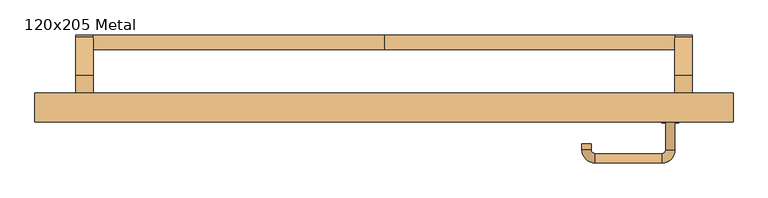
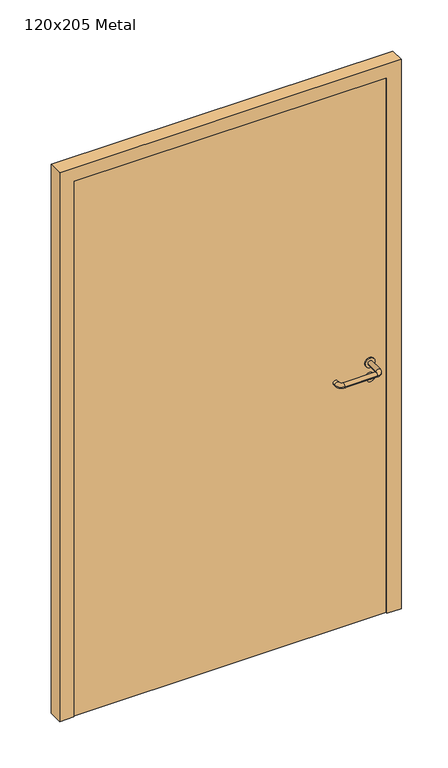
"""IFC4 building model written with IfcOpenShell, lengths in millimetres: door geometry, 120x205 Metal."""

from ifc_helpers import new_model, si_unit, point, frame, frame_2d, origin, origin_with_axes, place, context, project, spatial, polyline, circle_curve, ellipse_curve, trimmed, segment, composite_curve, outline, extrude, source, transform, mapped, element, save
from ifc_brep_helpers import plane_surface, cylinder_surface, revolved_surface, advanced_brep


def door_120x205_metal_0eefaa04(model_context):
    return source(origin(), model_context, "Body", "SolidModel", [
        advanced_brep(
        [(-500.0, 25.4171435, 861.5304884), (-500.0, 50.4171435, 861.5304884), (0.0, 50.4171435, 861.5304884), (0.0, 25.4171435, 861.5304884), (500.0, 25.4171435, 861.5304884), (500.0, 50.4171435, 861.5304884)],
        [
            (0, 1, circle_curve(frame((-500.0, 37.9171435, 861.5304884), z_axis=(-1.0, 0.0, 0.0), x_axis=(0.0, 1.0, 0.0)), 12.5)),
            (1, 0, circle_curve(frame((-500.0, 37.9171435, 861.5304884), z_axis=(-1.0, 0.0, 0.0), x_axis=(0.0, 1.0, 0.0)), 12.5)),
            (1, 2),
            (2, 3, circle_curve(frame((0.0, 37.9171435, 861.5304884), z_axis=(-1.0, 0.0, 0.0), x_axis=(0.0, 1.0, 0.0)), 12.5)),
            (3, 0),
            (3, 2, circle_curve(frame((0.0, 37.9171435, 861.5304884), z_axis=(-1.0, 0.0, 0.0), x_axis=(0.0, 1.0, 0.0)), 12.5)),
            (4, 5, circle_curve(frame((500.0, 37.9171435, 861.5304884), z_axis=(1.0, 0.0, 0.0), x_axis=(0.0, 1.0, 0.0)), 12.5)),
            (5, 4, circle_curve(frame((500.0, 37.9171435, 861.5304884), z_axis=(1.0, 0.0, 0.0), x_axis=(0.0, 1.0, 0.0)), 12.5)),
            (4, 3),
            (2, 5),
        ],
        [
            plane_surface(frame((-500.0, 50.4171435, 861.5304884), z_axis=(-1.0, 0.0, 0.0), x_axis=(0.0, 0.0, -1.0))),
            cylinder_surface(frame((-500.0, 37.9171435, 861.5304884), z_axis=(1.0, 0.0, 0.0), x_axis=(0.0, 1.0, 0.0)), 12.5),
            plane_surface(frame((500.0, 50.4171435, 861.5304884), z_axis=(1.0, 0.0, 0.0), x_axis=(0.0, 0.0, 1.0))),
            cylinder_surface(frame((0.0, 37.9171435, 861.5304884), z_axis=(1.0, 0.0, 0.0), x_axis=(0.0, 1.0, 0.0)), 12.5),
        ],
        [
            (0, [[1, 2]]),
            (1, [[-2, 3, 4, 5]]),
            (1, [[-1, -5, 6, -3]]),
            (2, [[7, 8]]),
            (3, [[-7, 9, -4, 10]]),
            (3, [[-8, -10, -6, -9]]),
        ],
    ),
        extrude(outline(composite_curve([segment(polyline([(-20.0, 950.0), (47.492699, 869.5653335)]), True, "CONTINUOUS"), segment(trimmed(circle_curve(frame_2d((37.9171435, 861.5304884)), 12.5), [point((47.492699, 869.5653335))], [point((28.3415879, 853.4956432))], False, "CARTESIAN"), True, "CONTINUOUS"), segment(polyline([(28.3415879, 853.4956432), (-21.4513009, 895.2768379), (-65.0, 895.2768379), (-65.0, 950.0), (-20.0, 950.0)]), True, "CONTINUOUS")], self_intersect=False)), frame((-530.0, 0.0, 0.0), z_axis=(1.0, 0.0, 0.0), x_axis=(0.0, 1.0, 0.0)), (0.0, 0.0, 1.0), 30.0),
        extrude(outline(composite_curve([segment(polyline([(-20.0, 950.0), (47.492699, 869.5653335)]), True, "CONTINUOUS"), segment(trimmed(circle_curve(frame_2d((37.9171435, 861.5304884)), 12.5), [point((47.492699, 869.5653335))], [point((28.3415879, 853.4956432))], False, "CARTESIAN"), True, "CONTINUOUS"), segment(polyline([(28.3415879, 853.4956432), (-21.4513009, 895.2768379), (-65.0, 895.2768379), (-65.0, 950.0), (-20.0, 950.0)]), True, "CONTINUOUS")], self_intersect=False)), frame((500.0, 0.0, 0.0), z_axis=(1.0, 0.0, 0.0), x_axis=(0.0, 1.0, 0.0)), (0.0, 0.0, 1.0), 30.0),
        extrude(outline(composite_curve([segment(trimmed(circle_curve(frame_2d((0.0, 15.0)), 15.0), [point((0.0, 30.0))], [point((0.0, 0.0))], False, "CARTESIAN"), True, "CONTINUOUS"), segment(trimmed(circle_curve(frame_2d((0.0, 15.0)), 15.0), [point((0.0, 0.0))], [point((0.0, 30.0))], False, "CARTESIAN"), True, "CONTINUOUS")], self_intersect=False), holes=[composite_curve([segment(trimmed(circle_curve(frame_2d((-4.7772515, 14.9398032)), 2.0), [point((-4.7772515, 16.9398032))], [point((-4.7772515, 12.9398032))], True, "CARTESIAN"), True, "CONTINUOUS"), segment(polyline([(-4.7772515, 12.9398032), (5.2227485, 12.9398032)]), True, "CONTINUOUS"), segment(trimmed(circle_curve(frame_2d((5.2227485, 14.9398032)), 2.0), [point((5.2227485, 12.9398032))], [point((5.2227485, 16.9398032))], True, "CARTESIAN"), True, "CONTINUOUS"), segment(polyline([(5.2227485, 16.9398032), (-4.7772515, 16.9398032)]), True, "CONTINUOUS")], self_intersect=False)]), frame((477.0, -101.35, 897.3605726), z_axis=(-1.8870575173328306e-12, 1.0, 0.0), x_axis=(0.0, 0.0, 1.0)), (0.0, 0.0, 1.0), 6.35),
        extrude(outline(composite_curve([segment(trimmed(circle_curve(frame_2d((0.0, 17.526)), 17.526), [point((0.0, 35.052))], [point((0.0, 0.0))], False, "CARTESIAN"), True, "CONTINUOUS"), segment(trimmed(circle_curve(frame_2d((0.0, 17.526)), 17.526), [point((0.0, 0.0))], [point((0.0, 35.052))], False, "CARTESIAN"), True, "CONTINUOUS")], self_intersect=False)), frame((474.474, -98.175, 950.0), z_axis=(-1.8870575173328306e-12, 1.0, 0.0), x_axis=(0.0, 0.0, 1.0)), (0.0, 0.0, 1.0), 3.175),
        advanced_brep(
        [(500.0, -95.0, 950.0), (484.0, -95.0, 950.0), (484.0, -148.0, 950.0), (500.0, -148.0, 950.0), (477.8578644, -154.1421356, 950.0), (477.8578644, -170.1421356, 950.0), (362.8578644, -154.1421356, 950.0), (362.8578644, -170.1421356, 950.0), (356.008622, -147.2928932, 950.0), (340.008622, -147.2928932, 950.0), (340.008622, -137.2928932, 950.0), (356.008622, -137.2928932, 950.0)],
        [
            (0, 1, circle_curve(frame((492.0, -95.0, 950.0), z_axis=(-1.888672253512351e-12, 1.0, 0.0), x_axis=(-1.0, -1.888672253512351e-12, 0.0)), 8.0)),
            (1, 0, circle_curve(frame((492.0, -95.0, 950.0), z_axis=(-1.888672253512351e-12, 1.0, 0.0), x_axis=(-1.0, -1.888672253512351e-12, 0.0)), 8.0)),
            (1, 2),
            (2, 3, circle_curve(frame((492.0, -148.0, 950.0), z_axis=(-1.888672253512351e-12, 1.0, 0.0), x_axis=(-1.0, -1.888672253512351e-12, 0.0)), 8.0)),
            (3, 0),
            (3, 2, circle_curve(frame((492.0, -148.0, 950.0), z_axis=(-1.888672253512351e-12, 1.0, 0.0), x_axis=(-1.0, -1.888672253512351e-12, 0.0)), 8.0)),
            (4, 5, circle_curve(frame((477.8578644, -162.1421356, 950.0), z_axis=(1.0, 1.913702061528922e-12, 0.0), x_axis=(-1.913702061528922e-12, 1.0, 0.0)), 8.0)),
            (5, 3, circle_curve(frame((477.8578644, -148.0, 950.0), z_axis=(0.0, 0.0, 1.0), x_axis=(1.0, 1.880717803715015e-12, 0.0)), 22.1421356)),
            (2, 4, circle_curve(frame((477.8578644, -148.0, 950.0), z_axis=(0.0, 0.0, -1.0), x_axis=(1.0, 1.880717803715015e-12, 0.0)), 6.1421356)),
            (5, 4, circle_curve(frame((477.8578644, -162.1421356, 950.0), z_axis=(1.0, 1.913702061528922e-12, 0.0), x_axis=(-1.913702061528922e-12, 1.0, 0.0)), 8.0)),
            (4, 6),
            (6, 7, circle_curve(frame((362.8578644, -162.1421356, 950.0), z_axis=(1.0, 1.913719828541269e-12, 0.0), x_axis=(-1.913719828541269e-12, 1.0, 0.0)), 8.0)),
            (7, 5),
            (7, 6, circle_curve(frame((362.8578644, -162.1421356, 950.0), z_axis=(1.0, 1.913719828541269e-12, 0.0), x_axis=(-1.913719828541269e-12, 1.0, 0.0)), 8.0)),
            (8, 9, circle_curve(frame((348.008622, -147.2928932, 950.0), z_axis=(1.890226565746826e-12, -1.0, 0.0), x_axis=(1.0, 1.890226565746826e-12, 0.0)), 8.0)),
            (9, 7, circle_curve(frame((362.8578644, -147.2928932, 950.0), z_axis=(0.0, 0.0, 1.0), x_axis=(1.9120873253494017e-12, -1.0, 0.0)), 22.8492424)),
            (6, 8, circle_curve(frame((362.8578644, -147.2928932, 950.0), z_axis=(0.0, 0.0, -1.0), x_axis=(1.9120873253494017e-12, -1.0, 0.0)), 6.8492424)),
            (9, 8, circle_curve(frame((348.008622, -147.2928932, 950.0), z_axis=(1.890670654956676e-12, -1.0, 0.0), x_axis=(1.0, 1.890670654956676e-12, 0.0)), 8.0)),
            (10, 11, circle_curve(frame((348.008622, -137.2928932, 950.0), z_axis=(-1.8903642334018795e-12, 1.0, 0.0), x_axis=(1.0, 1.8903642334018795e-12, 0.0)), 8.0)),
            (11, 10, circle_curve(frame((348.008622, -137.2928932, 950.0), z_axis=(-1.8903642334018795e-12, 1.0, 0.0), x_axis=(1.0, 1.8903642334018795e-12, 0.0)), 8.0)),
            (8, 11),
            (10, 9),
        ],
        [
            plane_surface(frame((492.0, -95.0, 170.0), z_axis=(-1.8870575173328306e-12, 1.0, 0.0), x_axis=(0.0, 0.0, 1.0))),
            cylinder_surface(frame((492.0, -95.0, 950.0), z_axis=(-1.888672253512351e-12, 1.0, 0.0), x_axis=(-1.0, -1.888672253512351e-12, 0.0)), 8.0),
            revolved_surface(trimmed(ellipse_curve(frame((492.0, -148.0, 950.0), z_axis=(1.8823325398945356e-12, -1.0, 0.0), x_axis=(-1.0, -1.8823325398945356e-12, 0.0)), 8.0, 8.0), [point((500.0, -148.0, 950.0))], [point((484.0, -148.0, 950.0))], True, "CARTESIAN"), (477.8578644, -148.0, 170.0), (0.0, 0.0, 1.0)),
            revolved_surface(trimmed(ellipse_curve(frame((492.0, -148.0, 950.0), z_axis=(1.8823325398945356e-12, -1.0, 0.0), x_axis=(-1.0, -1.8823325398945356e-12, 0.0)), 8.0, 8.0), [point((484.0, -148.0, 950.0))], [point((500.0, -148.0, 950.0))], True, "CARTESIAN"), (477.8578644, -148.0, 170.0), (0.0, 0.0, 1.0)),
            cylinder_surface(frame((477.8578644, -162.1421356, 950.0), z_axis=(1.0, 1.913719828541269e-12, 0.0), x_axis=(-1.913719828541269e-12, 1.0, 0.0)), 8.0),
            revolved_surface(trimmed(ellipse_curve(frame((362.8578644, -162.1421356, 950.0), z_axis=(-1.0, -1.913702061528922e-12, 0.0), x_axis=(-1.913702061528922e-12, 1.0, 0.0)), 8.0, 8.0), [point((362.8578644, -170.1421356, 950.0))], [point((362.8578644, -154.1421356, 950.0))], True, "CARTESIAN"), (362.8578644, -147.2928932, 170.0), (0.0, 0.0, 1.0)),
            revolved_surface(trimmed(ellipse_curve(frame((362.8578644, -162.1421356, 950.0), z_axis=(-1.0, -1.913702061528922e-12, 0.0), x_axis=(-1.913702061528922e-12, 1.0, 0.0)), 8.0, 8.0), [point((362.8578644, -154.1421356, 950.0))], [point((362.8578644, -170.1421356, 950.0))], True, "CARTESIAN"), (362.8578644, -147.2928932, 170.0), (0.0, 0.0, 1.0)),
            plane_surface(frame((348.008622, -137.2928932, 170.0), z_axis=(-1.8887494972223595e-12, 1.0, 0.0), x_axis=(0.0, 0.0, 1.0))),
            cylinder_surface(frame((348.008622, -147.2928932, 950.0), z_axis=(1.8903642334018795e-12, -1.0, 0.0), x_axis=(1.0, 1.8903642334018795e-12, 0.0)), 8.0),
        ],
        [
            (0, [[1, 2]]),
            (1, [[3, 4, 5, -2]]),
            (1, [[-5, 6, -3, -1]]),
            (2, [[7, 8, -4, 9]]),
            (3, [[10, -9, -6, -8]]),
            (4, [[11, 12, 13, -7]]),
            (4, [[-13, 14, -11, -10]]),
            (5, [[15, 16, -12, 17]]),
            (6, [[18, -17, -14, -16]]),
            (7, [[19, 20]]),
            (8, [[21, -19, 22, -15]]),
            (8, [[-22, -20, -21, -18]]),
        ],
    ),
        extrude(outline(polyline([(1990.0, 550.0), (0.0, 550.0), (0.0, 600.0), (2040.0, 600.0), (2040.0, -600.0), (0.0, -600.0), (0.0, -550.0), (1990.0, -550.0), (1990.0, 550.0)])), frame((0.0, -100.0, 0.0), z_axis=(0.0, 1.0, 0.0), x_axis=(0.0, 0.0, 1.0)), (0.0, 0.0, 1.0), 50.0),
        extrude(outline(polyline([(-550.0, -95.0), (-550.0, -65.0), (550.0, -65.0), (550.0, -95.0), (-550.0, -95.0)])), origin_with_axes(), (0.0, 0.0, 1.0), 1990.0),
    ])


if __name__ == "__main__":
    model = new_model("IFC4")
    model_context = context("Model", 3, world=origin())
    ifc_project = project(units=[si_unit("LENGTHUNIT", "METRE", prefix="MILLI")], contexts=[model_context])
    site = spatial("IfcSite", under=ifc_project)
    building = spatial("IfcBuilding", under=site)
    placement = place(None, origin())
    door_120x205_metal_shape = door_120x205_metal_0eefaa04(model_context)
    element("IfcDoor", 1, ObjectType="120x205 Metal", at=placement, inside=building, context=model_context, shape_type="MappedRepresentation", body=[
        mapped(door_120x205_metal_shape, transform((0.0, 0.0, 0.0), x_axis=(1.0, 0.0, 0.0), y_axis=(0.0, 1.0, 0.0), z_axis=(0.0, 0.0, 1.0))),
    ])
    save(model, "model.ifc")
